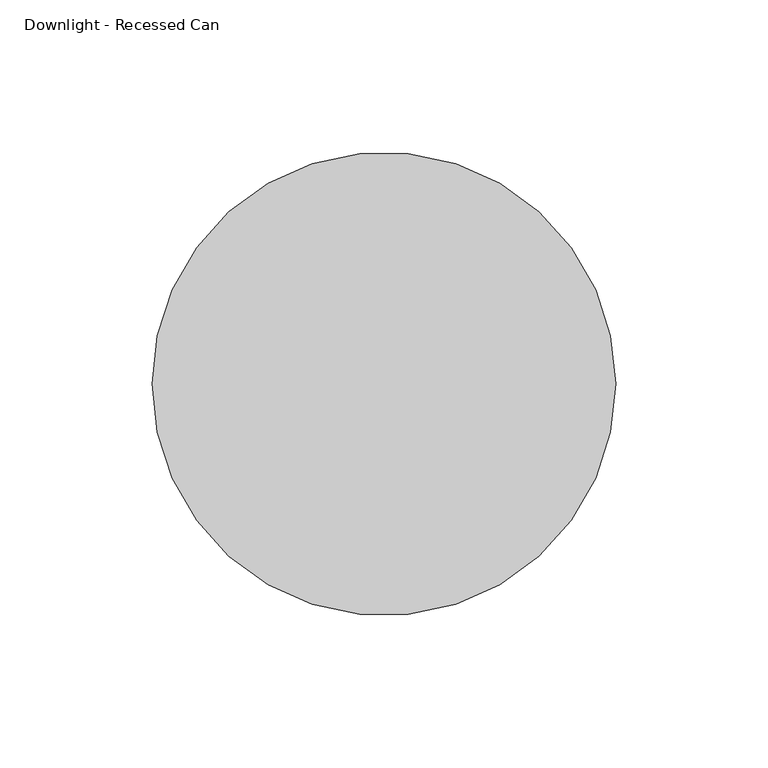
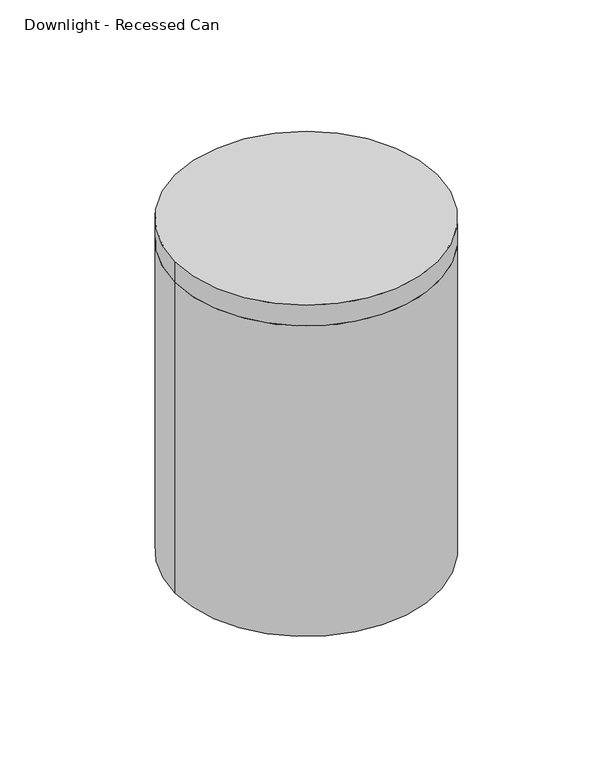
"""IFC4 building model written with IfcOpenShell, lengths in millimetres: light fixture geometry, Downlight - Recessed Can."""

from ifc_helpers import new_model, si_unit, point, frame, origin, origin_2d, place, context, project, spatial, circle_curve, trimmed, segment, composite_curve, outline, extrude, source, transform, mapped, element, save


def downlight_recessed_can_88c3df08(model_context):
    return source(origin(), model_context, "Body", "SweptSolid", [
        extrude(outline(composite_curve([segment(trimmed(circle_curve(origin_2d(), 76.0), [point((-76.0, 0.0))], [point((76.0, 0.0))], False, "CARTESIAN"), True, "CONTINUOUS"), segment(trimmed(circle_curve(origin_2d(), 76.0), [point((76.0, 0.0))], [point((-76.0, 0.0))], False, "CARTESIAN"), True, "CONTINUOUS")], self_intersect=False)), frame((0.0, 0.0, 2628.7), z_axis=(0.0, 0.0, 1.0), x_axis=(1.0, 0.0, 0.0)), (0.0, 0.0, 1.0), 12.7),
        extrude(outline(composite_curve([segment(trimmed(circle_curve(origin_2d(), 76.0), [point((-76.0, 0.0))], [point((76.0, 0.0))], False, "CARTESIAN"), True, "CONTINUOUS"), segment(trimmed(circle_curve(origin_2d(), 76.0), [point((76.0, 0.0))], [point((-76.0, 0.0))], False, "CARTESIAN"), True, "CONTINUOUS")], self_intersect=False), holes=[composite_curve([segment(trimmed(circle_curve(origin_2d(), 63.3), [point((-63.3, 0.0))], [point((63.3, 0.0))], True, "CARTESIAN"), True, "CONTINUOUS"), segment(trimmed(circle_curve(origin_2d(), 63.3), [point((63.3, 0.0))], [point((-63.3, 0.0))], True, "CARTESIAN"), True, "CONTINUOUS")], self_intersect=False)]), frame((0.0, 0.0, 2438.4), z_axis=(0.0, 0.0, 1.0), x_axis=(1.0, 0.0, 0.0)), (0.0, 0.0, 1.0), 190.3),
    ])


if __name__ == "__main__":
    model = new_model("IFC4")
    model_context = context("Model", 3, world=origin())
    ifc_project = project(units=[si_unit("LENGTHUNIT", "METRE", prefix="MILLI")], contexts=[model_context])
    site = spatial("IfcSite", under=ifc_project)
    building = spatial("IfcBuilding", under=site)
    placement = place(None, origin())
    downlight_recessed_can_shape = downlight_recessed_can_88c3df08(model_context)
    element("IfcLightFixture", 1, ObjectType="Downlight - Recessed Can", at=placement, inside=building, context=model_context, shape_type="MappedRepresentation", body=[
        mapped(downlight_recessed_can_shape, transform((0.0, 0.0, 0.0), x_axis=(1.0, 0.0, 0.0), y_axis=(0.0, 1.0, 0.0), z_axis=(0.0, 0.0, 1.0))),
    ])
    save(model, "model.ifc")
